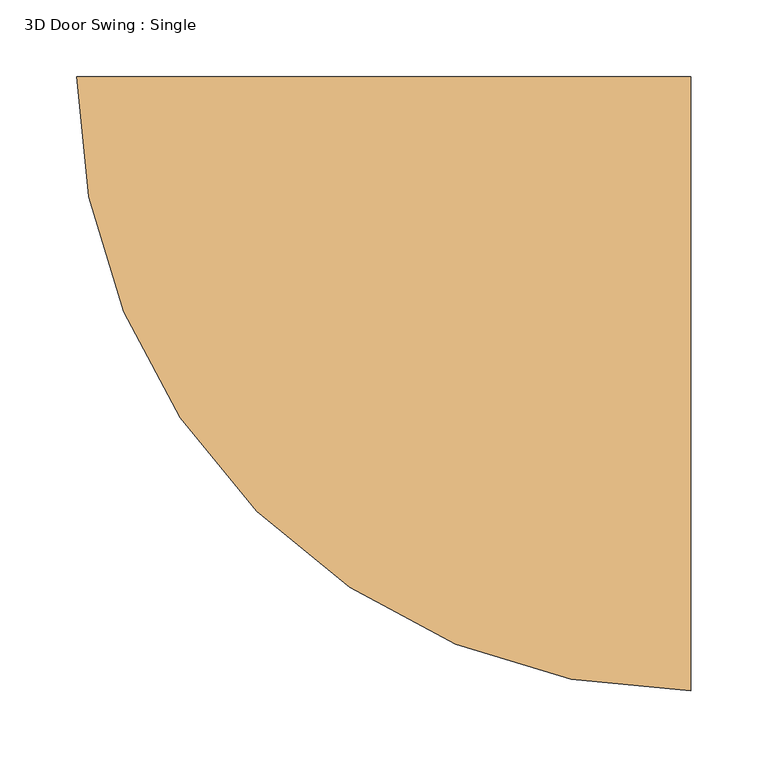
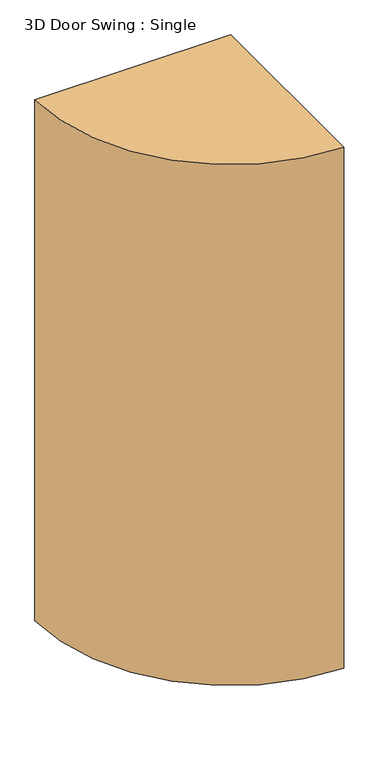
"""IFC4 building model written with IfcOpenShell, lengths in millimetres: door geometry, 3D Door Swing : Single."""

from ifc_helpers import new_model, si_unit, point, origin, origin_with_axes, origin_2d, place, context, project, spatial, polyline, circle_curve, trimmed, segment, composite_curve, outline, extrude, source, transform, mapped, element, save


def door_3d_door_swing_single_b057b237(model_context):
    return source(origin(), model_context, "Body", "SweptSolid", [
        extrude(outline(composite_curve([segment(polyline([(-400.0, 0.0), (0.0, 0.0), (0.0, -400.0)]), True, "CONTINUOUS"), segment(trimmed(circle_curve(origin_2d(), 400.0), [point((0.0, -400.0))], [point((-400.0, 0.0))], False, "CARTESIAN"), True, "CONTINUOUS")], self_intersect=False)), origin_with_axes(), (0.0, 0.0, 1.0), 1125.0),
    ])


if __name__ == "__main__":
    model = new_model("IFC4")
    model_context = context("Model", 3, world=origin())
    ifc_project = project(units=[si_unit("LENGTHUNIT", "METRE", prefix="MILLI")], contexts=[model_context])
    site = spatial("IfcSite", under=ifc_project)
    building = spatial("IfcBuilding", under=site)
    placement = place(None, origin())
    door_3d_door_swing_single_shape = door_3d_door_swing_single_b057b237(model_context)
    element("IfcDoor", 1, ObjectType="3D Door Swing : Single", at=placement, inside=building, context=model_context, shape_type="MappedRepresentation", body=[
        mapped(door_3d_door_swing_single_shape, transform((0.0, 0.0, 0.0), x_axis=(1.0, 0.0, 0.0), y_axis=(0.0, 1.0, 0.0), z_axis=(0.0, 0.0, 1.0))),
    ])
    save(model, "model.ifc")
